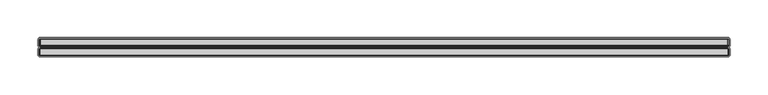
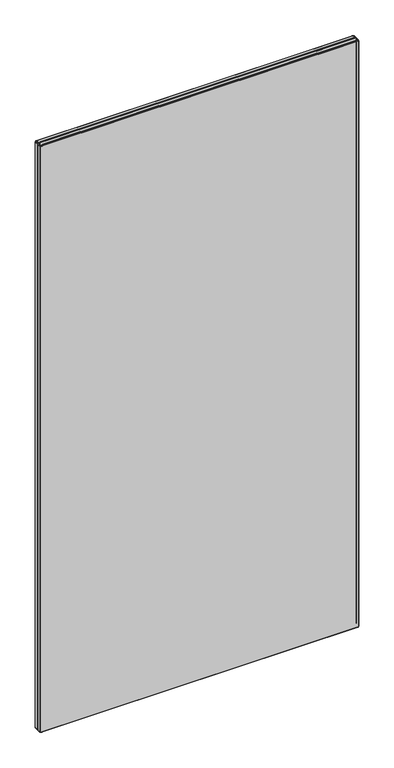
"""IFC4 building model written with IfcOpenShell, lengths in millimetres: furniture geometry."""

from ifc_helpers import new_model, si_unit, origin, place, context, project, spatial, triangles, source, transform, mapped, element, save


def furniture_9853b2ce(model_context):
    return source(origin(), model_context, "Body", "Tessellation", [
        triangles([(492.9384156, 5249.73004, 105.6580039), (492.9384156, 5241.5620429, 105.6580039), (491.8803407, 5241.5620429, 106.3650011), (491.8803407, 5249.73004, 106.3650011), (494.1854325, 5251.1780257, 1879.7949978), (493.5564011, 5251.1780257, 1879.6700054), (493.1613671, 5250.7550501, 1880.624017), (494.1854325, 5250.7550501, 1880.8270569), (491.7123277, 5250.7550501, 107.6450011), (491.1744244, 5249.73004, 107.4220041), (490.9253117, 5249.73004, 108.6700021), (491.5084157, 5250.7550501, 108.6700021), (493.1613671, 5250.7550501, 106.1969971), (493.5564011, 5251.1780257, 107.1509996), (494.1854325, 5251.1780257, 107.0259981), (494.1854325, 5250.7550501, 105.9930034), (1401.6663781, 5249.73004, 1881.4100155), (494.1854325, 5249.73004, 1881.4100155), (494.1854325, 5241.5620429, 1881.4100155), (1401.6663781, 5241.5620429, 1881.4100155), (1404.9253362, 5241.5620429, 1878.1510574), (1404.9253362, 5241.5620429, 108.6700021), (1404.9253362, 5249.73004, 108.6700021), (1404.9253362, 5249.73004, 1878.1510574), (1402.913395, 5241.5620429, 1881.1620655), (1402.913395, 5249.73004, 1881.1620655), (1403.5594312, 5250.7550501, 1880.0429478), (1402.6902982, 5250.7550501, 1880.624017), (1403.9713246, 5249.73004, 1880.456004), (1401.6663781, 5250.7550501, 1880.8270569), (1402.2954095, 5251.1780257, 1879.6700054), (1401.6663781, 5251.1780257, 1879.7949978), (1402.8283711, 5251.1780257, 1879.3130505), (491.1744244, 5249.73004, 1879.397929), (491.1744244, 5241.5620429, 1879.397929), (491.8803407, 5241.5620429, 1880.456004), (491.8803407, 5249.73004, 1880.456004), (490.9253117, 5241.5620429, 1878.1510574), (490.9253117, 5249.73004, 1878.1510574), (491.7123277, 5250.7550501, 1879.1749775), (491.5084157, 5250.7550501, 1878.1510574), (492.9384156, 5249.73004, 1881.1620655), (492.2923795, 5250.7550501, 1880.0429478), (1404.1393376, 5250.7550501, 1879.1749775), (1403.1853261, 5251.1780257, 1878.7799435), (494.1854325, 5249.73004, 105.4099994), (492.2923795, 5250.7550501, 106.7770035), (1404.6773862, 5249.73004, 1879.397929), (493.0232942, 5251.1780257, 107.5070008), (1404.3433949, 5250.7550501, 108.6700021), (1404.3433949, 5250.7550501, 1878.1510574), (1404.6773862, 5241.5620429, 107.4220041), (1404.6773862, 5249.73004, 107.4220041), (1403.9713246, 5241.5620429, 1880.456004), (1404.6773862, 5241.5620429, 1879.397929), (492.5413468, 5251.1780257, 1878.1510574), (492.5413468, 5251.1780257, 108.6700021), (1403.9713246, 5249.73004, 106.3650011), (1403.9713246, 5241.5620429, 106.3650011), (494.1854325, 5241.5620429, 105.4099994), (1402.913395, 5241.5620429, 105.6580039), (1402.913395, 5249.73004, 105.6580039), (1401.6663781, 5249.73004, 105.4099994), (1401.6663781, 5241.5620429, 105.4099994), (1401.6663781, 5250.7550501, 105.9930034), (1402.6902982, 5250.7550501, 106.1969971), (1403.5594312, 5250.7550501, 106.7770035), (1404.1393376, 5250.7550501, 107.6450011), (1403.1853261, 5251.1780257, 108.0399987), (1403.3103185, 5251.1780257, 108.6700021), (1402.8283711, 5251.1780257, 107.5070008), (1402.2954095, 5251.1780257, 107.1509996), (1401.6663781, 5251.1780257, 107.0259981), (492.6663392, 5251.1780257, 108.0399987), (1403.3103185, 5251.1780257, 1878.1510574), (493.0232942, 5251.1780257, 1879.3130505), (492.9384156, 5241.5620429, 1881.1620655), (492.6663392, 5251.1780257, 1878.7799435), (490.9253117, 5241.5620429, 108.6700021), (491.1744244, 5241.5620429, 107.4220041), (494.1854325, 5249.73004, 1881.2680183), (494.1854325, 5240.5370328, 1880.8270569), (494.1854325, 5240.1140208, 1879.7949978), (1401.6663781, 5240.1140208, 1879.7949978), (1401.6663781, 5240.5370328, 1880.8270569), (493.0103589, 5239.1640425, 1878.0560051), (494.2803395, 5239.1640425, 1879.3259857), (493.7943227, 5239.1640425, 1879.229044), (493.1073007, 5239.1640425, 1878.5420219), (1402.2954095, 5240.1140208, 1879.6700054), (1402.6902982, 5240.5370328, 1880.624017), (1401.6663781, 5252.551016, 1879.7949978), (494.1854325, 5252.551016, 1879.7949978), (492.5413468, 5252.551016, 108.6700021), (492.6663392, 5252.551016, 108.0399987), (1404.1393376, 5240.5370328, 1879.1749775), (1403.5594312, 5240.5370328, 1880.0429478), (492.6663392, 5252.551016, 1878.7799435), (492.5413468, 5252.551016, 1878.1510574), (1403.3103185, 5252.551016, 1878.1510574), (1403.1853261, 5252.551016, 1878.7799435), (493.5564011, 5252.551016, 1879.6700054), (493.0232942, 5252.551016, 1879.3130505), (1402.0573426, 5239.1640425, 1879.229044), (1401.5713258, 5239.1640425, 1879.3259857), (1402.8413064, 5239.1640425, 1878.0560051), (1402.7443646, 5239.1640425, 1878.5420219), (493.1073007, 5239.1640425, 108.2790012), (493.3824292, 5239.1640425, 107.8669988), (493.7943227, 5239.1640425, 107.5909982), (493.0103589, 5239.1640425, 108.7649999), (1402.8413064, 5239.1640425, 108.7649999), (1402.7443646, 5239.1640425, 108.2790012), (1401.5713258, 5239.1640425, 107.4950011), (1402.0573426, 5239.1640425, 107.5909982), (494.2803395, 5239.1640425, 107.4950011), (1402.2954095, 5252.551016, 1879.6700054), (1402.8283711, 5252.551016, 1879.3130505), (1402.2954095, 5252.551016, 107.1509996), (1401.6663781, 5252.551016, 107.0259981), (1402.4693814, 5239.1640425, 107.8669988), (494.1854325, 5252.551016, 107.0259981), (493.5564011, 5252.551016, 107.1509996), (493.0232942, 5252.551016, 107.5070008), (1402.8283711, 5252.551016, 107.5070008), (493.3824292, 5239.1640425, 1878.9540607), (1403.3103185, 5252.551016, 108.6700021), (1402.4693814, 5239.1640425, 1878.9540607), (1403.1853261, 5252.551016, 108.0399987), (1404.3433949, 5240.5370328, 1878.1510574), (491.5084157, 5240.5370328, 108.6700021), (492.5413468, 5240.1140208, 108.6700021), (492.5413468, 5240.1140208, 1878.1510574), (491.5084157, 5240.5370328, 1878.1510574), (1404.1393376, 5240.5370328, 107.6450011), (1403.1853261, 5240.1140208, 108.0399987), (1402.8283711, 5240.1140208, 107.5070008), (1403.5594312, 5240.5370328, 106.7770035), (493.1613671, 5240.5370328, 106.1969971), (492.2923795, 5240.5370328, 106.7770035), (494.1854325, 5240.5370328, 105.9930034), (493.5564011, 5240.1140208, 107.1509996), (493.0232942, 5240.1140208, 107.5070008), (492.6663392, 5240.1140208, 108.0399987), (491.7123277, 5240.5370328, 107.6450011), (1404.3433949, 5240.5370328, 108.6700021), (1401.6663781, 5240.5370328, 105.9930034), (1402.6902982, 5240.5370328, 106.1969971), (1403.3103185, 5240.1140208, 108.6700021), (1402.2954095, 5240.1140208, 107.1509996), (494.1854325, 5240.1140208, 107.0259981), (492.6663392, 5240.1140208, 1878.7799435), (493.0232942, 5240.1140208, 1879.3130505), (492.2923795, 5240.5370328, 1880.0429478), (491.7123277, 5240.5370328, 1879.1749775), (493.5564011, 5240.1140208, 1879.6700054), (1402.8283711, 5240.1140208, 1879.3130505), (1403.1853261, 5240.1140208, 1878.7799435), (1401.6663781, 5240.1140208, 107.0259981), (1403.3103185, 5240.1140208, 1878.1510574), (493.1613671, 5240.5370328, 1880.624017), (494.1854325, 5252.973047, 1880.8270569), (494.1854325, 5253.9980207, 1881.4100155), (492.9384156, 5253.9980207, 1881.1620655), (493.1613671, 5252.973047, 1880.624017), (1403.9713246, 5262.1670352, 106.3650011), (1404.6773862, 5262.1670352, 107.4220041), (1404.6773862, 5253.9980207, 107.4220041), (1403.9713246, 5253.9980207, 106.3650011), (1402.6902982, 5252.973047, 106.1969971), (1402.913395, 5253.9980207, 105.6580039), (1403.5594312, 5252.973047, 106.7770035), (1404.6773862, 5253.9980207, 1879.397929), (1404.6773862, 5262.1670352, 1879.397929), (1403.9713246, 5262.1670352, 1880.456004), (1403.9713246, 5253.9980207, 1880.456004), (1404.1393376, 5252.973047, 107.6450011), (1404.3433949, 5252.973047, 108.6700021), (494.1854325, 5253.9980207, 105.4099994), (492.9384156, 5253.9980207, 105.6580039), (492.9384156, 5262.1670352, 105.6580039), (494.1854325, 5262.1670352, 105.4099994), (1401.6663781, 5262.1670352, 105.4099994), (1402.913395, 5262.1670352, 105.6580039), (1401.6663781, 5253.9980207, 105.4099994), (1404.1393376, 5252.973047, 1879.1749775), (1403.5594312, 5252.973047, 1880.0429478), (1404.9253362, 5253.9980207, 1878.1510574), (1404.3433949, 5252.973047, 1878.1510574), (491.8803407, 5253.9980207, 1880.456004), (492.9384156, 5262.1670352, 1881.1620655), (491.8803407, 5262.1670352, 1880.456004), (492.2923795, 5252.973047, 106.7770035), (491.7123277, 5252.973047, 107.6450011), (491.1744244, 5253.9980207, 107.4220041), (491.8803407, 5253.9980207, 106.3650011), (494.1854325, 5252.973047, 105.9930034), (493.1613671, 5252.973047, 106.1969971), (1404.9253362, 5253.9980207, 108.6700021), (1404.9253362, 5262.1670352, 108.6700021), (1404.9253362, 5262.1670352, 1878.1510574), (491.8803407, 5262.1670352, 106.3650011), (494.1854325, 5262.1670352, 1881.4100155), (1402.6902982, 5252.973047, 1880.624017), (1402.913395, 5253.9980207, 1881.1620655), (1401.6663781, 5253.9980207, 1881.4100155), (1401.6663781, 5252.973047, 1880.8270569), (492.2923795, 5252.973047, 1880.0429478), (491.1744244, 5253.9980207, 1879.397929), (491.7123277, 5252.973047, 1879.1749775), (491.5084157, 5252.973047, 108.6700021), (1401.6663781, 5252.973047, 105.9930034), (1402.913395, 5262.1670352, 1881.1620655), (1401.6663781, 5262.1670352, 1881.4100155), (490.9253117, 5253.9980207, 1878.1510574), (491.1744244, 5262.1670352, 1879.397929), (490.9253117, 5262.1670352, 1878.1510574), (490.9253117, 5253.9980207, 108.6700021), (491.5084157, 5252.973047, 1878.1510574), (494.1854325, 5253.9980207, 1881.2680183), (490.9253117, 5262.1670352, 108.6700021), (491.1744244, 5262.1670352, 107.4220041), (491.7123277, 5263.1920453, 1879.1749775), (492.2923795, 5263.1920453, 1880.0429478), (494.1854325, 5263.6140399, 1879.7949978), (493.5564011, 5263.6140399, 1879.6700054), (493.1613671, 5263.1920453, 1880.624017), (494.1854325, 5263.1920453, 1880.8270569), (493.0232942, 5263.6140399, 1879.3130505), (492.6663392, 5263.6140399, 1878.7799435), (492.5413468, 5263.6140399, 1878.1510574), (491.5084157, 5263.1920453, 1878.1510574), (492.5413468, 5263.6140399, 108.6700021), (491.5084157, 5263.1920453, 108.6700021), (493.1613671, 5263.1920453, 106.1969971), (492.2923795, 5263.1920453, 106.7770035), (493.1073007, 5264.5640182, 108.2790012), (493.7943227, 5264.5640182, 107.5909982), (493.3824292, 5264.5640182, 107.8669988), (493.0103589, 5264.5640182, 1878.0560051), (494.2803395, 5264.5640182, 1879.3259857), (1401.5713258, 5264.5640182, 1879.3259857), (1402.8413064, 5264.5640182, 1878.0560051), (1403.5594312, 5263.1920453, 1880.0429478), (1402.8283711, 5263.6140399, 1879.3130505), (1402.2954095, 5263.6140399, 1879.6700054), (1402.6902982, 5263.1920453, 1880.624017), (491.7123277, 5263.1920453, 107.6450011), (493.1073007, 5264.5640182, 1878.5420219), (493.7943227, 5264.5640182, 1879.229044), (1402.0573426, 5264.5640182, 107.5909982), (1402.7443646, 5264.5640182, 108.2790012), (1402.4693814, 5264.5640182, 107.8669988), (1401.6663781, 5263.1920453, 1880.8270569), (1404.1393376, 5263.1920453, 1879.1749775), (1403.1853261, 5263.6140399, 1878.7799435), (1402.8413064, 5264.5640182, 108.7649999), (493.0103589, 5264.5640182, 108.7649999), (494.1854325, 5263.1920453, 105.9930034), (492.6663392, 5263.6140399, 108.0399987), (1402.0573426, 5264.5640182, 1879.229044), (1402.4693814, 5264.5640182, 1878.9540607), (1402.7443646, 5264.5640182, 1878.5420219), (1404.3433949, 5263.1920453, 1878.1510574), (493.0232942, 5263.6140399, 107.5070008), (493.3824292, 5264.5640182, 1878.9540607), (493.5564011, 5263.6140399, 107.1509996), (494.1854325, 5263.6140399, 107.0259981), (1403.3103185, 5263.6140399, 1878.1510574), (494.2803395, 5264.5640182, 107.4950011), (1401.6663781, 5263.6140399, 1879.7949978), (1401.5713258, 5264.5640182, 107.4950011), (1404.3433949, 5263.1920453, 108.6700021), (1403.3103185, 5263.6140399, 108.6700021), (1401.6663781, 5263.6140399, 107.0259981), (1401.6663781, 5263.1920453, 105.9930034), (1402.8283711, 5263.6140399, 107.5070008), (1402.2954095, 5263.6140399, 107.1509996), (1403.1853261, 5263.6140399, 108.0399987), (1403.5594312, 5263.1920453, 106.7770035), (1402.6902982, 5263.1920453, 106.1969971), (1404.1393376, 5263.1920453, 107.6450011)], [[1, 2, 3], [1, 3, 4], [5, 6, 7], [5, 7, 8], [9, 10, 11], [9, 11, 12], [13, 14, 15], [13, 15, 16], [17, 18, 19], [17, 19, 20], [21, 22, 23], [21, 23, 24], [17, 20, 25], [17, 25, 26], [27, 28, 26], [27, 26, 29], [30, 17, 26], [30, 26, 28], [30, 28, 31], [30, 31, 32], [27, 33, 31], [27, 31, 28], [34, 35, 36], [34, 36, 37], [38, 35, 34], [38, 34, 39], [39, 34, 40], [39, 40, 41], [37, 42, 7], [37, 7, 43], [27, 44, 45], [27, 45, 33], [40, 34, 37], [40, 37, 43], [7, 42, 18], [7, 18, 8], [46, 1, 13], [46, 13, 16], [4, 10, 9], [4, 9, 47], [27, 29, 48], [27, 48, 44], [49, 14, 13], [49, 13, 47], [24, 23, 50], [24, 50, 51], [23, 22, 52], [23, 52, 53], [13, 1, 4], [13, 4, 47], [29, 54, 55], [29, 55, 48], [41, 56, 57], [41, 57, 12], [58, 53, 52], [58, 52, 59], [60, 2, 1], [60, 1, 46], [58, 59, 61], [58, 61, 62], [63, 62, 61], [63, 61, 64], [65, 66, 62], [65, 62, 63], [67, 58, 62], [67, 62, 66], [67, 68, 53], [67, 53, 58], [50, 23, 53], [50, 53, 68], [50, 68, 69], [50, 69, 70], [67, 71, 69], [67, 69, 68], [67, 66, 72], [67, 72, 71], [65, 73, 72], [65, 72, 66], [64, 60, 46], [64, 46, 63], [9, 74, 49], [9, 49, 47], [50, 70, 75], [50, 75, 51], [7, 6, 76], [7, 76, 43], [57, 74, 9], [57, 9, 12], [29, 26, 25], [29, 25, 54], [36, 77, 42], [36, 42, 37], [24, 48, 55], [24, 55, 21], [51, 75, 45], [51, 45, 44], [76, 78, 40], [76, 40, 43], [30, 32, 5], [30, 5, 8], [40, 78, 56], [40, 56, 41], [39, 11, 79], [39, 79, 38], [41, 12, 11], [41, 11, 39], [3, 80, 10], [3, 10, 4], [10, 80, 79], [10, 79, 11], [42, 77, 19], [42, 19, 18], [51, 44, 48], [51, 48, 24], [30, 8, 81], [30, 81, 17], [82, 83, 84], [82, 84, 85], [58, 62, 66], [58, 66, 67], [16, 13, 14], [16, 14, 15], [47, 49, 14], [47, 14, 13], [86, 87, 88], [86, 88, 89], [84, 90, 91], [84, 91, 85], [92, 93, 5], [92, 5, 32], [94, 95, 74], [94, 74, 57], [96, 55, 54], [96, 54, 97], [98, 99, 56], [98, 56, 78], [100, 101, 45], [100, 45, 75], [47, 9, 74], [47, 74, 49], [68, 69, 70], [68, 70, 50], [16, 15, 73], [16, 73, 65], [4, 3, 80], [4, 80, 10], [102, 103, 76], [102, 76, 6], [16, 46, 1], [16, 1, 13], [106, 104, 105], [104, 106, 107], [108, 109, 110], [106, 105, 87], [106, 87, 86], [73, 72, 66], [73, 66, 65], [46, 60, 2], [46, 2, 1], [47, 4, 10], [47, 10, 9], [106, 86, 111], [106, 111, 112], [114, 113, 112], [113, 114, 115], [111, 116, 114], [111, 114, 112], [68, 53, 58], [68, 58, 67], [102, 6, 5], [102, 5, 93], [92, 32, 31], [92, 31, 117], [118, 33, 45], [118, 45, 101], [119, 72, 73], [119, 73, 120], [115, 121, 113], [122, 15, 14], [122, 14, 123], [71, 69, 68], [71, 68, 67], [124, 123, 14], [124, 14, 49], [119, 125, 71], [119, 71, 72], [53, 52, 59], [53, 59, 58], [66, 72, 71], [66, 71, 67], [124, 49, 74], [124, 74, 95], [94, 57, 56], [94, 56, 99], [91, 25, 20], [91, 20, 85], [20, 19, 82], [20, 82, 85], [22, 52, 53], [22, 53, 23], [118, 117, 31], [118, 31, 33], [108, 110, 116], [111, 108, 116], [89, 88, 126], [23, 53, 68], [23, 68, 50], [59, 61, 62], [59, 62, 58], [62, 61, 64], [62, 64, 63], [63, 46, 16], [63, 16, 65], [11, 10, 80], [11, 80, 79], [98, 78, 76], [98, 76, 103], [100, 75, 70], [100, 70, 127], [104, 107, 128], [47, 13, 1], [47, 1, 4], [129, 127, 70], [129, 70, 69], [12, 57, 74], [12, 74, 9], [4, 1, 2], [4, 2, 3], [129, 69, 71], [129, 71, 125], [122, 120, 73], [122, 73, 15], [21, 55, 96], [21, 96, 130], [54, 25, 91], [54, 91, 97], [12, 9, 10], [12, 10, 11], [66, 62, 63], [66, 63, 65], [131, 132, 133], [131, 133, 134], [135, 136, 137], [135, 137, 138], [3, 2, 139], [3, 139, 140], [139, 2, 60], [139, 60, 141], [139, 142, 143], [139, 143, 140], [143, 144, 145], [143, 145, 140], [140, 3, 2], [140, 2, 139], [140, 145, 80], [140, 80, 3], [146, 135, 52], [146, 52, 22], [147, 64, 61], [147, 61, 148], [149, 136, 135], [149, 135, 146], [140, 143, 144], [140, 144, 145], [138, 137, 150], [138, 150, 148], [151, 142, 139], [151, 139, 141], [145, 144, 132], [145, 132, 131], [152, 89, 126], [152, 126, 153], [131, 79, 80], [131, 80, 145], [141, 151, 142], [141, 142, 139], [138, 59, 52], [138, 52, 135], [59, 52, 135], [59, 135, 138], [152, 133, 86], [152, 86, 89], [137, 150, 148], [137, 148, 138], [154, 155, 152], [154, 152, 153], [156, 153, 126], [156, 126, 88], [91, 90, 157], [91, 157, 97], [156, 88, 87], [156, 87, 83], [64, 61, 148], [64, 148, 147], [38, 79, 131], [38, 131, 134], [135, 52, 22], [135, 22, 146], [138, 148, 61], [138, 61, 59], [84, 83, 87], [84, 87, 105], [84, 105, 104], [84, 104, 90], [157, 90, 104], [157, 104, 128], [157, 128, 107], [157, 107, 158], [147, 159, 151], [147, 151, 141], [130, 160, 149], [130, 149, 146], [160, 158, 107], [160, 107, 106], [132, 111, 86], [132, 86, 133], [111, 132, 144], [111, 144, 108], [109, 108, 144], [109, 144, 143], [109, 143, 142], [109, 142, 110], [116, 110, 142], [116, 142, 151], [159, 114, 116], [159, 116, 151], [140, 139, 142], [140, 142, 143], [130, 146, 22], [130, 22, 21], [148, 61, 59], [148, 59, 138], [134, 155, 35], [134, 35, 38], [154, 153, 156], [154, 156, 161], [154, 36, 35], [154, 35, 155], [154, 161, 77], [154, 77, 36], [82, 19, 77], [82, 77, 161], [131, 145, 144], [131, 144, 132], [96, 158, 160], [96, 160, 130], [148, 150, 159], [148, 159, 147], [157, 158, 96], [157, 96, 97], [141, 139, 2], [141, 2, 60], [82, 161, 156], [82, 156, 83], [147, 141, 60], [147, 60, 64], [147, 148, 150], [147, 150, 159], [138, 135, 136], [138, 136, 137], [134, 133, 152], [134, 152, 155], [146, 149, 136], [146, 136, 135], [79, 80, 145], [79, 145, 131], [145, 80, 3], [145, 3, 140], [162, 163, 164], [162, 164, 165], [166, 167, 168], [166, 168, 169], [170, 171, 169], [170, 169, 172], [173, 174, 175], [173, 175, 176], [127, 129, 177], [127, 177, 178], [177, 129, 125], [177, 125, 172], [179, 180, 181], [179, 181, 182], [183, 184, 171], [183, 171, 185], [112, 113, 136], [112, 136, 149], [186, 173, 176], [186, 176, 187], [188, 173, 186], [188, 186, 189], [190, 164, 191], [190, 191, 192], [193, 194, 195], [193, 195, 196], [197, 122, 123], [197, 123, 198], [114, 159, 150], [114, 150, 115], [118, 101, 186], [118, 186, 187], [188, 199, 200], [188, 200, 201], [171, 184, 166], [171, 166, 169], [177, 168, 199], [177, 199, 178], [125, 119, 170], [125, 170, 172], [185, 179, 182], [185, 182, 183], [168, 167, 200], [168, 200, 199], [196, 202, 181], [196, 181, 180], [121, 137, 136], [121, 136, 113], [163, 203, 191], [163, 191, 164], [169, 168, 177], [169, 177, 172], [193, 198, 123], [193, 123, 124], [204, 205, 206], [204, 206, 207], [208, 190, 209], [208, 209, 210], [211, 194, 95], [211, 95, 94], [185, 171, 170], [185, 170, 212], [170, 119, 120], [170, 120, 212], [185, 183, 184], [185, 184, 171], [205, 213, 214], [205, 214, 206], [215, 209, 216], [215, 216, 217], [215, 218, 211], [215, 211, 219], [197, 198, 180], [197, 180, 179], [193, 124, 95], [193, 95, 194], [206, 220, 162], [206, 162, 207], [219, 99, 98], [219, 98, 210], [189, 100, 127], [189, 127, 178], [201, 174, 173], [201, 173, 188], [162, 165, 102], [162, 102, 93], [160, 106, 112], [160, 112, 149], [204, 117, 118], [204, 118, 187], [121, 115, 150], [121, 150, 137], [92, 117, 204], [92, 204, 207], [186, 101, 100], [186, 100, 189], [208, 103, 102], [208, 102, 165], [176, 205, 204], [176, 204, 187], [214, 203, 163], [214, 163, 206], [190, 192, 216], [190, 216, 209], [208, 165, 164], [208, 164, 190], [208, 210, 98], [208, 98, 103], [217, 221, 218], [217, 218, 215], [211, 94, 99], [211, 99, 219], [218, 221, 222], [218, 222, 195], [196, 195, 222], [196, 222, 202], [193, 196, 180], [193, 180, 198], [211, 218, 195], [211, 195, 194], [175, 213, 205], [175, 205, 176], [219, 210, 209], [219, 209, 215], [162, 93, 92], [162, 92, 207], [189, 178, 199], [189, 199, 188], [223, 216, 192], [223, 192, 224], [225, 226, 227], [225, 227, 228], [229, 230, 223], [229, 223, 224], [202, 181, 180], [202, 180, 196], [212, 185, 171], [212, 171, 170], [218, 195, 194], [218, 194, 211], [223, 230, 231], [223, 231, 232], [172, 170, 171], [172, 171, 169], [195, 222, 202], [195, 202, 196], [232, 231, 233], [232, 233, 234], [235, 181, 202], [235, 202, 236], [237, 238, 239], [240, 241, 242], [240, 242, 243], [244, 245, 246], [244, 246, 247], [202, 222, 248], [202, 248, 236], [180, 181, 182], [180, 182, 179], [249, 250, 241], [240, 249, 241], [251, 252, 253], [244, 247, 213], [244, 213, 175], [254, 214, 213], [254, 213, 247], [244, 255, 256], [244, 256, 245], [257, 258, 240], [257, 240, 243], [254, 228, 203], [254, 203, 214], [192, 191, 227], [192, 227, 224], [244, 175, 174], [244, 174, 255], [232, 234, 221], [232, 221, 217], [248, 222, 221], [248, 221, 234], [182, 181, 235], [182, 235, 259], [233, 260, 248], [233, 248, 234], [178, 127, 129], [178, 129, 177], [261, 262, 263], [264, 255, 174], [264, 174, 201], [248, 260, 265], [248, 265, 236], [249, 266, 250], [265, 267, 235], [265, 235, 236], [235, 267, 268], [235, 268, 259], [212, 170, 119], [212, 119, 120], [172, 169, 168], [172, 168, 177], [221, 222, 195], [221, 195, 218], [198, 180, 179], [198, 179, 197], [124, 95, 194], [124, 194, 193], [264, 269, 256], [264, 256, 255], [172, 125, 119], [172, 119, 170], [122, 123, 198], [122, 198, 197], [194, 95, 94], [194, 94, 211], [227, 191, 203], [227, 203, 228], [227, 226, 229], [227, 229, 224], [212, 120, 122], [212, 122, 197], [212, 197, 179], [212, 179, 185], [169, 171, 184], [169, 184, 166], [194, 195, 196], [194, 196, 193], [169, 166, 167], [169, 167, 168], [196, 180, 198], [196, 198, 193], [258, 270, 238], [258, 238, 237], [254, 247, 246], [254, 246, 271], [217, 216, 223], [217, 223, 232], [172, 177, 129], [172, 129, 125], [198, 123, 124], [198, 124, 193], [178, 177, 168], [178, 168, 199], [242, 263, 243], [263, 242, 261], [257, 251, 272], [251, 257, 252], [199, 168, 167], [199, 167, 200], [257, 272, 270], [257, 270, 258], [254, 271, 225], [254, 225, 228], [237, 260, 233], [237, 233, 258], [273, 274, 269], [273, 269, 264], [259, 268, 275], [259, 275, 276], [236, 265, 267], [236, 267, 235], [268, 267, 238], [268, 238, 270], [277, 278, 251], [277, 251, 253], [252, 279, 277], [252, 277, 253], [280, 166, 184], [280, 184, 281], [277, 279, 282], [277, 282, 280], [259, 235, 267], [259, 267, 268], [280, 277, 279], [280, 279, 282], [249, 240, 231], [249, 231, 230], [231, 240, 258], [231, 258, 233], [274, 279, 252], [274, 252, 257], [280, 281, 278], [280, 278, 277], [282, 279, 274], [282, 274, 273], [200, 167, 282], [200, 282, 273], [276, 275, 278], [276, 278, 281], [236, 248, 260], [236, 260, 265], [273, 282, 279], [273, 279, 274], [225, 241, 250], [225, 250, 226], [242, 241, 225], [271, 242, 225], [234, 233, 260], [234, 260, 248], [273, 200, 167], [273, 167, 282], [282, 167, 166], [282, 166, 280], [229, 266, 249], [229, 249, 230], [250, 266, 229], [250, 229, 226], [243, 263, 256], [243, 256, 269], [268, 270, 272], [268, 272, 275], [274, 257, 243], [274, 243, 269], [234, 248, 222], [234, 222, 221], [166, 184, 281], [166, 281, 280], [183, 182, 259], [183, 259, 276], [276, 281, 184], [276, 184, 183], [251, 278, 275], [251, 275, 272], [265, 260, 237], [265, 237, 239], [259, 182, 181], [259, 181, 235], [281, 278, 277], [281, 277, 280], [256, 263, 262], [256, 262, 245], [236, 202, 222], [236, 222, 248], [262, 261, 246], [262, 246, 245], [281, 184, 183], [281, 183, 276], [238, 267, 265], [238, 265, 239], [236, 235, 181], [236, 181, 202], [201, 200, 273], [201, 273, 264], [246, 261, 242], [246, 242, 271], [280, 282, 167], [280, 167, 166], [275, 278, 281], [275, 281, 276]], closed=False),
    ])


if __name__ == "__main__":
    model = new_model("IFC4")
    model_context = context("Model", 3, world=origin())
    ifc_project = project(units=[si_unit("LENGTHUNIT", "METRE", prefix="MILLI")], contexts=[model_context])
    site = spatial("IfcSite", under=ifc_project)
    building = spatial("IfcBuilding", under=site)
    placement = place(None, origin())
    furniture_shape = furniture_9853b2ce(model_context)
    element("IfcFurniture", 1, at=placement, inside=building, context=model_context, shape_type="MappedRepresentation", body=[
        mapped(furniture_shape, transform((0.0, 0.0, 0.0), x_axis=(1.0, 0.0, 0.0), y_axis=(0.0, 1.0, 0.0), z_axis=(0.0, 0.0, 1.0))),
    ])
    save(model, "model.ifc")
